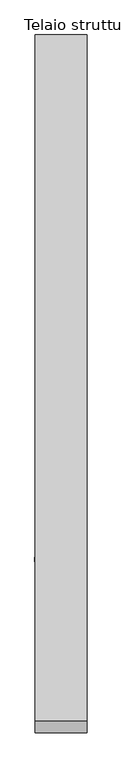
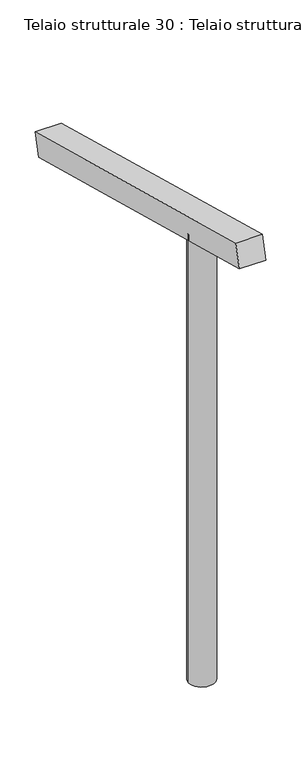
"""IFC4 building model written with IfcOpenShell, lengths in millimetres: beam geometry, Telaio strutturale 30 : Telaio strutturale 30."""

from ifc_helpers import new_model, si_unit, point, frame, frame_2d, origin, place, context, project, spatial, polyline, circle_curve, trimmed, segment, composite_curve, outline, extrude, source, transform, mapped, element, save


def telaio_strutturale_30_telaio_strutturale_30_7d5f714b(model_context):
    return source(origin(), model_context, "Body", "SweptSolid", [
        extrude(outline(polyline([(0.0, -1635.0), (0.0, 0.0), (120.0, 0.0), (120.0, -1635.0), (0.0, -1635.0)])), frame((-57322.4841271, 4533.4743094, -614.0802379), z_axis=(0.0, 0.2588190451025175, 0.9659258262890693), x_axis=(1.0, 0.0, 0.0)), (0.0, 0.0, 1.0), 110.0),
        extrude(outline(composite_curve([segment(trimmed(circle_curve(frame_2d((-57263.0962408, 3353.63831)), 60.0), [point((-57323.0962408, 3353.63831))], [point((-57203.0962408, 3353.63831))], False, "CARTESIAN"), True, "CONTINUOUS"), segment(trimmed(circle_curve(frame_2d((-57263.0962408, 3353.63831)), 60.0), [point((-57203.0962408, 3353.63831))], [point((-57323.0962408, 3353.63831))], False, "CARTESIAN"), True, "CONTINUOUS")], self_intersect=False)), frame((0.0, 0.0, -2420.5), z_axis=(0.0, 0.0, 1.0), x_axis=(1.0, 0.0, 0.0)), (0.0, 0.0, 1.0), 2152.2606509),
    ])


if __name__ == "__main__":
    model = new_model("IFC4")
    model_context = context("Model", 3, world=origin())
    ifc_project = project(units=[si_unit("LENGTHUNIT", "METRE", prefix="MILLI")], contexts=[model_context])
    site = spatial("IfcSite", under=ifc_project)
    building = spatial("IfcBuilding", under=site)
    placement = place(None, origin())
    telaio_strutturale_30_telaio_strutturale_30_shape = telaio_strutturale_30_telaio_strutturale_30_7d5f714b(model_context)
    element("IfcBeam", 1, ObjectType="Telaio strutturale 30 : Telaio strutturale 30", at=placement, inside=building, context=model_context, shape_type="MappedRepresentation", body=[
        mapped(telaio_strutturale_30_telaio_strutturale_30_shape, transform((0.0, 0.0, 0.0), x_axis=(1.0, 0.0, 0.0), y_axis=(0.0, 1.0, 0.0), z_axis=(0.0, 0.0, 1.0))),
    ])
    save(model, "model.ifc")
